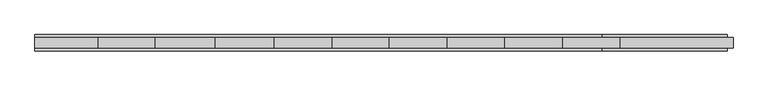
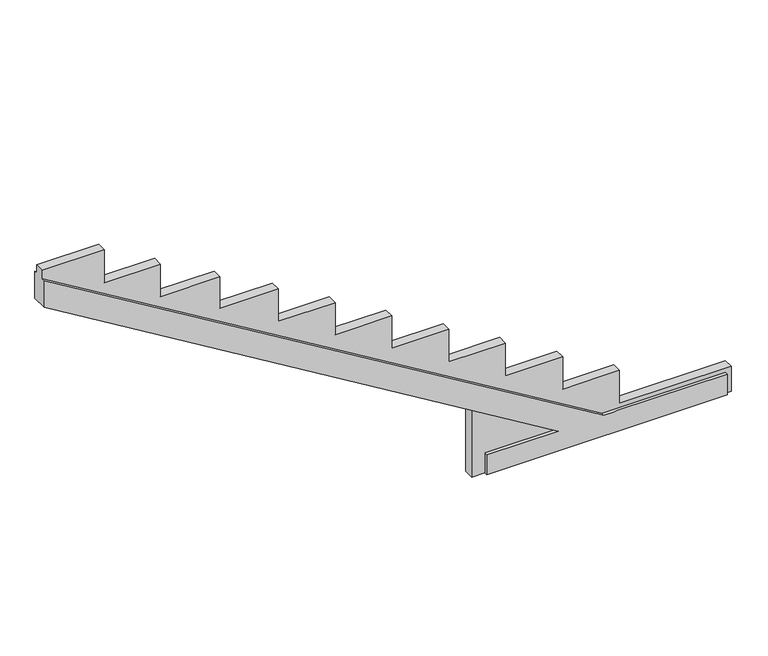
"""IFC4 building model written with IfcOpenShell, lengths in millimetres: beam geometry."""

from ifc_helpers import new_model, si_unit, origin, place, context, project, spatial, faceted_brep, source, transform, mapped, element, save


def beam_22a5e9a7(model_context):
    return source(origin(), model_context, "Body", "Brep", [
        faceted_brep([(-116824.5683327, 91824.0530867, -269.8606223), (-116824.5683327, 91824.0530867, -23.927162), (-115986.3004713, 91824.0530867, -23.927162), (-122014.7043969, 91824.0530868, 3620.6532395), (-122014.7043969, 91824.0530868, 3953.0884577), (-115452.9689158, 91824.0530867, -13.927162), (-114003.5293184, 91824.0530866, -13.927162), (-114003.5293184, 91824.0530866, -269.8606223), (-116824.5683327, 91634.202965, -269.8606223), (-114003.5293184, 91634.202965, -269.8606223), (-114003.5293184, 91634.202965, -13.927162), (-115285.9680434, 91634.202965, -13.927162), (-115341.8354945, 91634.202965, -13.927162), (-115452.9689158, 91634.202965, -13.927162), (-122014.7043969, 91634.2029651, 3953.0884577), (-122014.7043969, 91634.2029651, 3620.6532395), (-115986.3004713, 91634.202965, -23.927162), (-116824.5683327, 91634.202965, -23.927162), (-114003.5293184, 91789.2313005, -269.8606223), (-113933.8823373, 91789.2313005, -269.8606223), (-113933.8823373, 91672.0966603, -269.8606223), (-114003.5293184, 91672.0966603, -269.8606223), (-116824.5683327, 91672.0966603, -269.8606223), (-116980.4145735, 91672.0966603, -269.8606223), (-116980.4145735, 91789.2313005, -269.8606223), (-116824.5683327, 91789.2313005, -269.8606223), (-114003.5293184, 91789.2313005, -13.927162), (-114003.5293184, 91672.0966603, -13.927162), (-115452.9689158, 91789.2313005, -13.927162), (-115285.9880033, 91672.0966603, -13.927162), (-115341.9214817, 91672.0966603, -13.927162), (-115452.9689158, 91672.0966603, -13.927162), (-122014.7043969, 91789.2313006, 3953.0884577), (-122014.7043969, 91672.0966604, 3953.0884577), (-122014.7043969, 91672.0966604, 4055.0581816), (-122014.7043969, 91789.2313006, 4055.0581816), (-115986.3004713, 91789.2313005, -23.927162), (-116980.4145735, 91789.2313005, 577.0824615), (-116980.4145735, 91672.0966603, 577.0824615), (-115986.3004713, 91672.0966603, -23.927162), (-116824.5683327, 91789.2313005, -23.927162), (-116824.5683327, 91672.0966603, -23.927162), (-121286.6476169, 91789.2313006, 4055.0581816), (-121286.6476169, 91789.2313006, 3650.1194045), (-120629.8769499, 91789.2313006, 3650.1194045), (-120629.8769499, 91789.2313006, 3246.3708797), (-119933.6470254, 91789.2313006, 3246.3708797), (-119933.6470254, 91789.2313006, 2860.4175482), (-119250.2330274, 91789.2313006, 2860.4175482), (-119250.2330274, 91789.2313006, 2454.7316091), (-118580.1512274, 91789.2313006, 2454.7316091), (-118580.1512274, 91789.2313006, 2058.2038023), (-117917.0696754, 91789.2313005, 2058.2038023), (-117917.0696754, 91789.2313005, 1654.6757476), (-117246.9878754, 91789.2313005, 1654.6757476), (-117246.9878754, 91789.2313005, 1253.1286015), (-116581.9254147, 91789.2313005, 1253.1286015), (-116581.9254147, 91789.2313005, 846.0333551), (-115911.8436147, 91789.2313005, 846.0333551), (-115911.8436147, 91789.2313005, 445.01497), (-115246.7424753, 91789.2313005, 445.01497), (-115246.7424753, 91789.2313005, 37.2625476), (-113933.8823373, 91789.2313005, 37.2625476), (-113933.8823373, 91672.0966603, 37.2625476), (-115246.7424753, 91672.0966603, 37.2625476), (-115246.7424753, 91672.0966603, 445.01497), (-115911.8436147, 91672.0966603, 445.01497), (-115911.8436147, 91672.0966603, 846.0333551), (-116581.6596165, 91672.0966603, 846.0333551), (-116581.9254147, 91672.0966603, 846.0333551), (-116581.9254147, 91672.0966603, 1253.1286015), (-117246.9878754, 91672.0966603, 1253.1286015), (-117246.9878754, 91672.0966603, 1654.6757476), (-117917.0696754, 91672.0966604, 1654.6757476), (-117917.0696754, 91672.0966604, 2058.2038023), (-118580.1512274, 91672.0966604, 2058.2038023), (-118580.1512274, 91672.0966604, 2454.7316091), (-119250.2330274, 91672.0966604, 2454.7316091), (-119250.2330274, 91672.0966604, 2860.4175482), (-119933.6470254, 91672.0966604, 2860.4175482), (-119933.6470254, 91672.0966604, 3246.3708797), (-120629.8769499, 91672.0966604, 3246.3708797), (-120629.8769499, 91672.0966604, 3650.1194045), (-121286.6476169, 91672.0966604, 3650.1194045), (-121286.6476169, 91672.0966604, 4055.0581816)], [[[0, 1, 2, 3, 4, 5, 6, 7]], [[8, 9, 10, 11, 12, 13, 14, 15, 16, 17]], [[0, 7, 18, 19, 20, 21, 9, 8, 22, 23, 24, 25]], [[7, 6, 26, 18]], [[10, 9, 21, 27]], [[6, 5, 28, 26]], [[13, 12, 11, 10, 27, 29, 30, 31]], [[5, 4, 32, 28]], [[14, 13, 31, 33]], [[4, 3, 15, 14, 33, 34, 35, 32]], [[3, 2, 36, 37, 38, 39, 16, 15]], [[2, 1, 40, 36]], [[17, 16, 39, 41]], [[1, 0, 25, 40]], [[8, 17, 41, 22]], [[25, 24, 37, 36, 40]], [[35, 42, 43, 44, 45, 46, 47, 48, 49, 50, 51, 52, 53, 54, 55, 56, 57, 58, 59, 60, 61, 62, 19, 18, 26, 28, 32]], [[23, 22, 41, 39, 38]], [[20, 63, 64, 65, 66, 67, 68, 69, 70, 71, 72, 73, 74, 75, 76, 77, 78, 79, 80, 81, 82, 83, 84, 34, 33, 31, 30, 29, 27, 21]], [[24, 23, 38, 37]], [[46, 45, 81, 80]], [[45, 44, 82, 81]], [[44, 43, 83, 82]], [[43, 42, 84, 83]], [[42, 35, 34, 84]], [[19, 62, 63, 20]], [[62, 61, 64, 63]], [[61, 60, 65, 64]], [[60, 59, 66, 65]], [[59, 58, 67, 66]], [[58, 57, 69, 68, 67]], [[57, 56, 70, 69]], [[56, 55, 71, 70]], [[55, 54, 72, 71]], [[54, 53, 73, 72]], [[53, 52, 74, 73]], [[52, 51, 75, 74]], [[51, 50, 76, 75]], [[50, 49, 77, 76]], [[49, 48, 78, 77]], [[48, 47, 79, 78]], [[47, 46, 80, 79]]]),
    ])


if __name__ == "__main__":
    model = new_model("IFC4")
    model_context = context("Model", 3, world=origin())
    ifc_project = project(units=[si_unit("LENGTHUNIT", "METRE", prefix="MILLI")], contexts=[model_context])
    site = spatial("IfcSite", under=ifc_project)
    building = spatial("IfcBuilding", under=site)
    placement = place(None, origin())
    beam_shape = beam_22a5e9a7(model_context)
    element("IfcBeam", 1, at=placement, inside=building, context=model_context, shape_type="MappedRepresentation", body=[
        mapped(beam_shape, transform((0.0, 0.0, 0.0), x_axis=(1.0, 0.0, 0.0), y_axis=(0.0, 1.0, 0.0), z_axis=(0.0, 0.0, 1.0))),
    ])
    save(model, "model.ifc")
